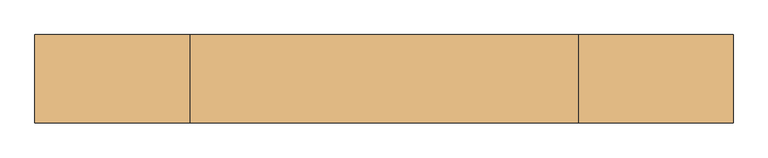
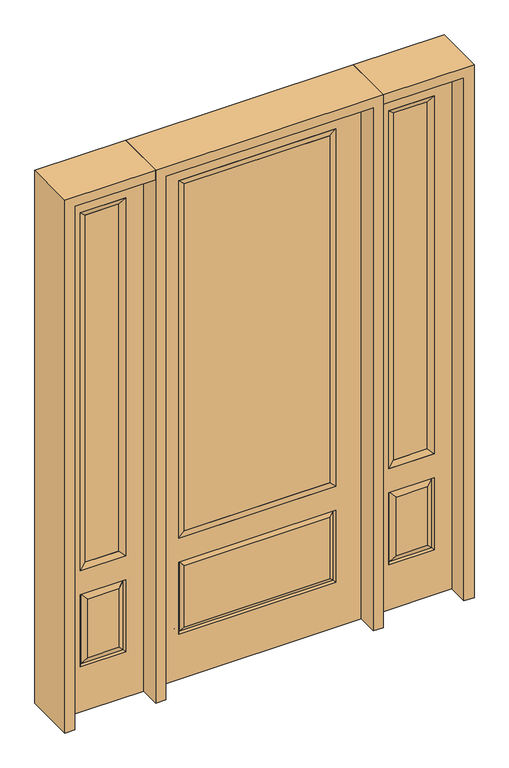
"""IFC4 building model written with IfcOpenShell, lengths in millimetres: door geometry."""

from ifc_helpers import new_model, si_unit, frame, origin, place, context, project, spatial, polyline, outline, extrude, faceted_brep, source, transform, mapped, element, save


def door_e1cca830(model_context):
    return source(origin(), model_context, "Body", "SolidModel", [
        faceted_brep([(501.65, -22.225, 0.0), (857.25, -22.225, 0.0), (857.25, -22.225, 2438.4), (501.65, -22.225, 2438.4), (779.78, -22.225, 2325.624), (779.78, -22.225, 657.098), (579.12, -22.225, 657.098), (579.12, -22.225, 2325.624), (779.78, -22.225, 209.55), (579.12, -22.225, 209.55), (579.12, -22.225, 546.1), (779.78, -22.225, 546.1), (610.8351001, -22.225, 241.2651001), (748.0648999, -22.225, 241.2651001), (748.0648999, -22.225, 514.3848999), (610.8351001, -22.225, 514.3848999), (501.65, 22.225, 0.0), (501.65, 22.225, 2438.4), (857.25, 22.225, 2438.4), (857.25, 22.225, 0.0), (779.78, 22.225, 2325.624), (579.12, 22.225, 2325.624), (579.12, 22.225, 657.098), (779.78, 22.225, 657.098), (579.12, 22.225, 209.55), (779.78, 22.225, 209.55), (779.78, 22.225, 546.1), (579.12, 22.225, 546.1), (748.0648999, 22.225, 241.2651001), (610.8351001, 22.225, 241.2651001), (610.8351001, 22.225, 514.3848999), (748.0648999, 22.225, 514.3848999), (772.6711499, 12.7912373, 216.6588501), (586.2288501, 12.7912373, 216.6588501), (586.2288501, 12.7912373, 538.9911499), (772.6711499, 12.7912373, 538.9911499), (586.2288501, -12.7912373, 216.6588501), (772.6711499, -12.7912373, 216.6588501), (586.2288501, -12.7912373, 538.9911499), (772.6711499, -12.7912373, 538.9911499)], [[[0, 1, 2, 3], [4, 5, 6, 7], [8, 9, 10, 11]], [[12, 13, 14, 15]], [[16, 17, 18, 19], [20, 21, 22, 23], [24, 25, 26, 27]], [[28, 29, 30, 31]], [[1, 0, 16, 19]], [[2, 1, 19, 18]], [[3, 2, 18, 17]], [[0, 3, 17, 16]], [[5, 4, 20, 23]], [[6, 5, 23, 22]], [[7, 6, 22, 21]], [[4, 7, 21, 20]], [[32, 33, 29, 28]], [[33, 32, 25, 24]], [[29, 33, 34, 30]], [[33, 24, 27, 34]], [[30, 34, 35, 31]], [[34, 27, 26, 35]], [[32, 28, 31, 35]], [[25, 32, 35, 26]], [[12, 36, 37, 13]], [[37, 36, 9, 8]], [[36, 12, 15, 38]], [[9, 36, 38, 10]], [[38, 15, 14, 39]], [[10, 38, 39, 11]], [[13, 37, 39, 14]], [[37, 8, 11, 39]]]),
        faceted_brep([(579.12, 22.225, 2325.624), (579.12, -22.225, 2325.624), (779.78, -22.225, 2325.624), (779.78, 22.225, 2325.624), (604.52, 12.7, 2300.224), (754.38, 12.7, 2300.224), (604.52, -12.7, 2300.224), (754.38, -12.7, 2300.224), (779.78, -22.225, 657.098), (779.78, 22.225, 657.098), (754.38, 12.7, 682.498), (754.38, -12.7, 682.498), (579.12, -22.225, 657.098), (579.12, 22.225, 657.098), (604.52, 12.7, 682.498), (604.52, -12.7, 682.498)], [[[0, 1, 2, 3]], [[4, 0, 3, 5]], [[6, 4, 5, 7]], [[1, 6, 7, 2]], [[3, 2, 8, 9]], [[5, 3, 9, 10]], [[7, 5, 10, 11]], [[2, 7, 11, 8]], [[9, 8, 12, 13]], [[10, 9, 13, 14]], [[11, 10, 14, 15]], [[8, 11, 15, 12]], [[13, 12, 1, 0]], [[14, 13, 0, 4]], [[15, 14, 4, 6]], [[12, 15, 6, 1]]]),
        extrude(outline(polyline([(754.38, -12.7), (604.52, -12.7), (604.52, 12.7), (754.38, 12.7), (754.38, -12.7)])), frame((0.0, 0.0, 682.498), z_axis=(0.0, 0.0, 1.0), x_axis=(1.0, 0.0, 0.0)), (0.0, 0.0, 1.0), 1617.726),
        faceted_brep([(-857.25, -22.225, 0.0), (-501.65, -22.225, 0.0), (-501.65, -22.225, 2438.4), (-857.25, -22.225, 2438.4), (-579.12, -22.225, 2325.624), (-579.12, -22.225, 657.098), (-779.78, -22.225, 657.098), (-779.78, -22.225, 2325.624), (-579.12, -22.225, 209.55), (-779.78, -22.225, 209.55), (-779.78, -22.225, 546.1), (-579.12, -22.225, 546.1), (-748.0648999, -22.225, 241.2651001), (-610.8351001, -22.225, 241.2651001), (-610.8351001, -22.225, 514.3848999), (-748.0648999, -22.225, 514.3848999), (-857.25, 22.225, 0.0), (-857.25, 22.225, 2438.4), (-501.65, 22.225, 2438.4), (-501.65, 22.225, 0.0), (-579.12, 22.225, 2325.624), (-779.78, 22.225, 2325.624), (-779.78, 22.225, 657.098), (-579.12, 22.225, 657.098), (-779.78, 22.225, 209.55), (-579.12, 22.225, 209.55), (-579.12, 22.225, 546.1), (-779.78, 22.225, 546.1), (-610.8351001, 22.225, 241.2651001), (-748.0648999, 22.225, 241.2651001), (-748.0648999, 22.225, 514.3848999), (-610.8351001, 22.225, 514.3848999), (-586.2288501, 12.7912373, 216.6588501), (-772.6711499, 12.7912373, 216.6588501), (-772.6711499, 12.7912373, 538.9911499), (-586.2288501, 12.7912373, 538.9911499), (-772.6711499, -12.7912373, 216.6588501), (-586.2288501, -12.7912373, 216.6588501), (-772.6711499, -12.7912373, 538.9911499), (-586.2288501, -12.7912373, 538.9911499)], [[[0, 1, 2, 3], [4, 5, 6, 7], [8, 9, 10, 11]], [[12, 13, 14, 15]], [[16, 17, 18, 19], [20, 21, 22, 23], [24, 25, 26, 27]], [[28, 29, 30, 31]], [[1, 0, 16, 19]], [[2, 1, 19, 18]], [[3, 2, 18, 17]], [[0, 3, 17, 16]], [[5, 4, 20, 23]], [[6, 5, 23, 22]], [[7, 6, 22, 21]], [[4, 7, 21, 20]], [[32, 33, 29, 28]], [[33, 32, 25, 24]], [[29, 33, 34, 30]], [[33, 24, 27, 34]], [[30, 34, 35, 31]], [[34, 27, 26, 35]], [[32, 28, 31, 35]], [[25, 32, 35, 26]], [[12, 36, 37, 13]], [[37, 36, 9, 8]], [[36, 12, 15, 38]], [[9, 36, 38, 10]], [[38, 15, 14, 39]], [[10, 38, 39, 11]], [[13, 37, 39, 14]], [[37, 8, 11, 39]]]),
        faceted_brep([(-779.78, 22.225, 2325.624), (-779.78, -22.225, 2325.624), (-579.12, -22.225, 2325.624), (-579.12, 22.225, 2325.624), (-754.38, 12.7, 2300.224), (-604.52, 12.7, 2300.224), (-754.38, -12.7, 2300.224), (-604.52, -12.7, 2300.224), (-579.12, -22.225, 657.098), (-579.12, 22.225, 657.098), (-604.52, 12.7, 682.498), (-604.52, -12.7, 682.498), (-779.78, -22.225, 657.098), (-779.78, 22.225, 657.098), (-754.38, 12.7, 682.498), (-754.38, -12.7, 682.498)], [[[0, 1, 2, 3]], [[4, 0, 3, 5]], [[6, 4, 5, 7]], [[1, 6, 7, 2]], [[3, 2, 8, 9]], [[5, 3, 9, 10]], [[7, 5, 10, 11]], [[2, 7, 11, 8]], [[9, 8, 12, 13]], [[10, 9, 13, 14]], [[11, 10, 14, 15]], [[8, 11, 15, 12]], [[13, 12, 1, 0]], [[14, 13, 0, 4]], [[15, 14, 4, 6]], [[12, 15, 6, 1]]]),
        extrude(outline(polyline([(-604.52, -12.7), (-754.38, -12.7), (-754.38, 12.7), (-604.52, 12.7), (-604.52, -12.7)])), frame((0.0, 0.0, 682.498), z_axis=(0.0, 0.0, 1.0), x_axis=(1.0, 0.0, 0.0)), (0.0, 0.0, 1.0), 1617.726),
        extrude(outline(polyline([(320.675, -20.32), (-320.675, -20.32), (-320.675, 5.08), (320.675, 5.08), (320.675, -20.32)])), frame((0.0, 0.0, 682.498), z_axis=(0.0, 0.0, 1.0), x_axis=(1.0, 0.0, 0.0)), (0.0, 0.0, 1.0), 1616.202),
        faceted_brep([(-338.9661499, -12.7912373, 216.6588501), (338.9661499, -12.7912373, 216.6588501), (321.46875, -22.225, 234.15625), (-321.46875, -22.225, 234.15625), (-346.075, -22.225, 209.55), (346.075, -22.225, 209.55), (-338.9661499, -12.7912373, 538.9911499), (-346.075, -22.225, 546.1), (321.46875, -22.225, 521.49375), (-321.46875, -22.225, 521.49375), (457.2, -22.225, 2438.4), (-457.2, -22.225, 2438.4), (-457.2, -22.225, 0.0), (457.2, -22.225, 0.0), (346.075, -22.225, 546.1), (346.075, -22.225, 2324.1), (346.075, -22.225, 657.098), (-346.075, -22.225, 657.098), (-346.075, -22.225, 2324.1), (338.9661499, -12.7912373, 538.9911499), (-457.2, 22.225, 2438.4), (-457.2, 22.225, 0.0), (457.2, 22.225, 0.0), (457.2, 22.225, 2438.4), (346.075, 22.225, 2324.1), (346.075, 22.225, 657.098), (-346.075, 22.225, 657.098), (-346.075, 22.225, 2324.1), (-346.075, 22.225, 209.55), (346.075, 22.225, 209.55), (346.075, 22.225, 546.1), (-346.075, 22.225, 546.1), (321.46875, 22.225, 234.15625), (-321.46875, 22.225, 234.15625), (-321.46875, 22.225, 521.49375), (321.46875, 22.225, 521.49375), (-338.9661499, 12.7912373, 216.6588501), (338.9661499, 12.7912373, 216.6588501), (338.9661499, 12.7912373, 538.9911499), (-338.9661499, 12.7912373, 538.9911499)], [[[0, 1, 2, 3]], [[1, 0, 4, 5]], [[4, 0, 6, 7]], [[3, 2, 8, 9]], [[10, 11, 12, 13], [5, 4, 7, 14], [15, 16, 17, 18]], [[1, 5, 14, 19]], [[2, 1, 19, 8]], [[0, 3, 9, 6]], [[7, 6, 19, 14]], [[6, 9, 8, 19]], [[12, 11, 20, 21]], [[13, 12, 21, 22]], [[10, 13, 22, 23]], [[16, 15, 24, 25]], [[17, 16, 25, 26]], [[18, 17, 26, 27]], [[23, 22, 21, 20], [28, 29, 30, 31], [24, 27, 26, 25]], [[32, 33, 34, 35]], [[28, 36, 37, 29]], [[29, 37, 38, 30]], [[39, 31, 30, 38]], [[36, 28, 31, 39]], [[37, 36, 33, 32]], [[33, 36, 39, 34]], [[34, 39, 38, 35]], [[37, 32, 35, 38]], [[11, 10, 23, 20]], [[15, 18, 27, 24]]]),
        faceted_brep([(-346.075, -22.225, 2324.1), (-346.075, 22.225, 2324.1), (-346.075, 22.225, 657.098), (-346.075, -22.225, 657.098), (346.075, 22.225, 657.098), (346.075, -22.225, 657.098), (-320.675, 5.08, 682.498), (320.675, 5.08, 682.498), (346.075, 22.225, 2324.1), (346.075, -22.225, 2324.1), (-320.675, -20.32, 682.498), (320.675, -20.32, 682.498), (-320.675, -20.32, 2298.7), (320.675, -20.32, 2298.7), (-320.675, 5.08, 2298.7), (320.675, 5.08, 2298.7)], [[[0, 1, 2, 3]], [[3, 2, 4, 5]], [[2, 6, 7, 4]], [[5, 4, 8, 9]], [[10, 3, 5, 11]], [[12, 0, 3, 10]], [[11, 5, 9, 13]], [[6, 10, 11, 7]], [[14, 12, 10, 6]], [[7, 11, 13, 15]], [[1, 14, 6, 2]], [[4, 7, 15, 8]], [[9, 8, 1, 0]], [[13, 9, 0, 12]], [[15, 13, 12, 14]], [[8, 15, 14, 1]]]),
        extrude(outline(polyline([(2438.4, -501.65), (2482.85, -501.65), (2482.85, -901.7), (0.0, -901.7), (0.0, -857.25), (2438.4, -857.25), (2438.4, -501.65)])), frame((0.0, -114.3, 0.0), z_axis=(0.0, 1.0, 0.0), x_axis=(0.0, 0.0, 1.0)), (0.0, 0.0, 1.0), 228.6),
        extrude(outline(polyline([(2482.85, -501.65), (0.0, -501.65), (0.0, -457.2), (2438.4, -457.2), (2438.4, 457.2), (0.0, 457.2), (0.0, 501.65), (2482.85, 501.65), (2482.85, -501.65)])), frame((0.0, -114.3, 0.0), z_axis=(0.0, 1.0, 0.0), x_axis=(0.0, 0.0, 1.0)), (0.0, 0.0, 1.0), 228.6),
        extrude(outline(polyline([(0.0, 857.25), (0.0, 901.7), (2482.85, 901.7), (2482.85, 501.65), (2438.4, 501.65), (2438.4, 857.25), (0.0, 857.25)])), frame((0.0, -114.3, 0.0), z_axis=(0.0, 1.0, 0.0), x_axis=(0.0, 0.0, 1.0)), (0.0, 0.0, 1.0), 228.6),
    ])


if __name__ == "__main__":
    model = new_model("IFC4")
    model_context = context("Model", 3, world=origin())
    ifc_project = project(units=[si_unit("LENGTHUNIT", "METRE", prefix="MILLI")], contexts=[model_context])
    site = spatial("IfcSite", under=ifc_project)
    building = spatial("IfcBuilding", under=site)
    placement = place(None, origin())
    door_shape = door_e1cca830(model_context)
    element("IfcDoor", 1, at=placement, inside=building, context=model_context, shape_type="MappedRepresentation", body=[
        mapped(door_shape, transform((0.0, 0.0, 0.0), x_axis=(1.0, 0.0, 0.0), y_axis=(0.0, 1.0, 0.0), z_axis=(0.0, 0.0, 1.0))),
    ])
    save(model, "model.ifc")
